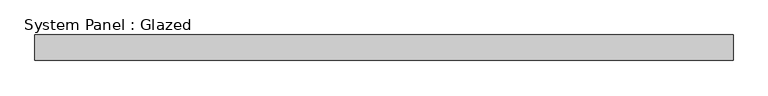
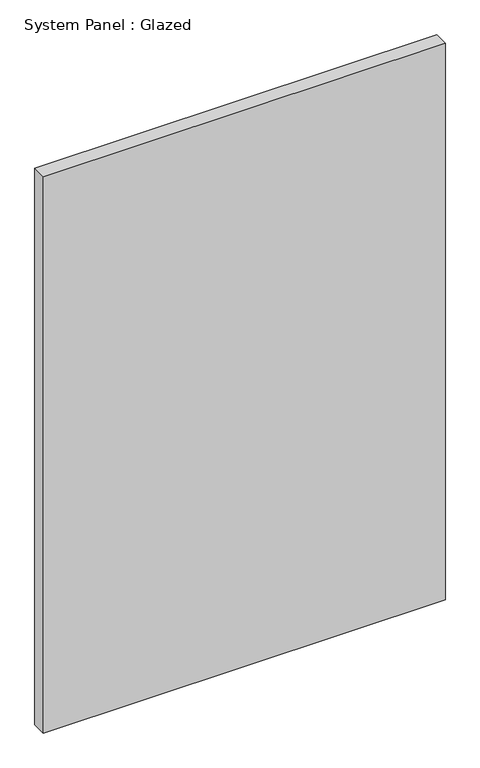
"""IFC4 building model written with IfcOpenShell, lengths in millimetres: plate geometry, System Panel : Glazed."""

from ifc_helpers import new_model, si_unit, origin, origin_with_axes, place, context, project, spatial, polyline, outline, extrude, source, transform, mapped, element, save


def system_panel_glazed_378c09a5(model_context):
    return source(origin(), model_context, "Body", "SweptSolid", [
        extrude(outline(polyline([(1366.6666667, 50.0), (-1366.6666667, 50.0), (-1366.6666667, 150.0), (1366.6666667, 150.0), (1366.6666667, 50.0)])), origin_with_axes(), (0.0, 0.0, 1.0), 4000.0),
    ])


if __name__ == "__main__":
    model = new_model("IFC4")
    model_context = context("Model", 3, world=origin())
    ifc_project = project(units=[si_unit("LENGTHUNIT", "METRE", prefix="MILLI")], contexts=[model_context])
    site = spatial("IfcSite", under=ifc_project)
    building = spatial("IfcBuilding", under=site)
    placement = place(None, origin())
    system_panel_glazed_shape = system_panel_glazed_378c09a5(model_context)
    element("IfcPlate", 1, ObjectType="System Panel : Glazed", at=placement, inside=building, context=model_context, shape_type="MappedRepresentation", body=[
        mapped(system_panel_glazed_shape, transform((0.0, 0.0, 0.0), x_axis=(1.0, 0.0, 0.0), y_axis=(0.0, 1.0, 0.0), z_axis=(0.0, 0.0, 1.0))),
    ])
    save(model, "model.ifc")
